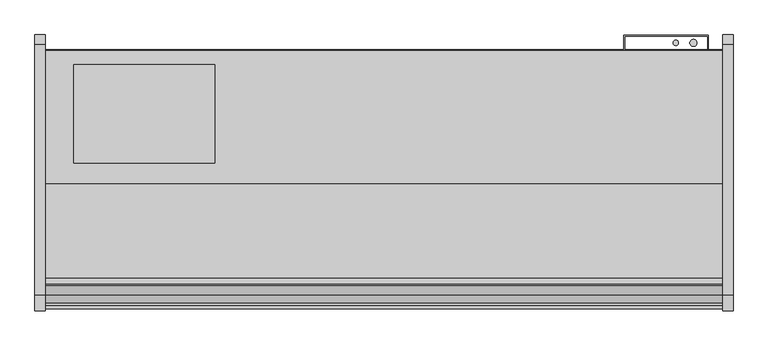
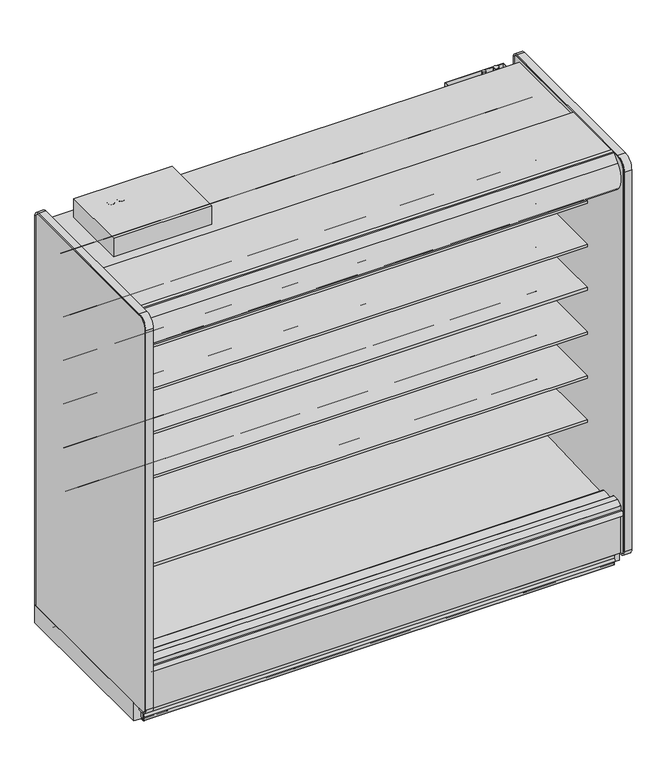
"""IFC4 building model written with IfcOpenShell, lengths in millimetres: proxy geometry."""

from ifc_helpers import new_model, si_unit, point, frame, frame_2d, origin, origin_with_axes, place, context, project, spatial, polyline, circle_curve, ellipse_curve, trimmed, segment, composite_curve, outline, extrude, source, transform, mapped, element, save
from ifc_brep_helpers import plane_surface, cylinder_surface, revolved_surface, advanced_brep


def mechanical_equipment_c2b8598e(model_context):
    return source(origin(), model_context, "Body", "SolidModel", [
        extrude(outline(composite_curve([segment(polyline([(-1274.0829637, 2251.075), (-1294.3336241, 2251.075)]), True, "CONTINUOUS"), segment(trimmed(circle_curve(frame_2d((-1294.3336241, 2246.6009255)), 4.4740745), [point((-1294.3336241, 2251.075))], [point((-1297.552004, 2249.7088788))], True, "CARTESIAN"), True, "CONTINUOUS"), segment(polyline([(-1297.552004, 2249.7088788), (-1332.8788425, 2213.1268666)]), True, "CONTINUOUS"), segment(trimmed(circle_curve(frame_2d((-1260.597853, 2143.3259263)), 100.4824), [point((-1332.8788425, 2213.1268666))], [point((-1341.3700905, 2203.0968084))], True, "CARTESIAN"), True, "CONTINUOUS"), segment(trimmed(circle_curve(frame_2d((-1260.597853, 2143.3259263)), 100.4824), [point((-1341.3700905, 2203.0968084))], [point((-1334.0860282, 2074.7970943))], True, "CARTESIAN"), True, "CONTINUOUS"), segment(trimmed(circle_curve(frame_2d((-1330.2592931, 2078.3655825)), 5.2324), [point((-1334.0860282, 2074.7970943))], [point((-1326.5594275, 2074.665717))], True, "CARTESIAN"), True, "CONTINUOUS"), segment(polyline([(-1326.5594275, 2074.665717), (-1319.9858801, 2081.2392645), (-1318.5490391, 2079.8024235), (-1325.1225866, 2073.228876)]), True, "CONTINUOUS"), segment(trimmed(circle_curve(frame_2d((-1330.2592931, 2078.3655825)), 7.2644), [point((-1325.1225866, 2073.228876))], [point((-1335.5721389, 2073.4112736))], False, "CARTESIAN"), True, "CONTINUOUS"), segment(trimmed(circle_curve(frame_2d((-1260.597853, 2143.3259263)), 102.5144), [point((-1335.5721389, 2073.4112736))], [point((-1334.340541, 2214.5384124))], False, "CARTESIAN"), True, "CONTINUOUS"), segment(polyline([(-1334.340541, 2214.5384124), (-1299.7047357, 2250.4048387)]), True, "CONTINUOUS"), segment(trimmed(circle_curve(frame_2d((-1294.4791637, 2245.3585624)), 7.2644), [point((-1299.7047357, 2250.4048387))], [point((-1294.4791637, 2252.6229624))], False, "CARTESIAN"), True, "CONTINUOUS"), segment(polyline([(-1294.4791637, 2252.6229624), (-1274.0829637, 2252.6229624), (-1274.0829637, 2251.075)]), True, "CONTINUOUS")], self_intersect=False)), frame((0.0, 0.0, 0.0), z_axis=(1.0, 0.0, 0.0), x_axis=(0.0, 1.0, 0.0)), (0.0, 0.0, 1.0), 2438.4),
        extrude(outline(composite_curve([segment(trimmed(circle_curve(frame_2d((-1254.7298559, 2115.8468051)), 11.1125), [point((-1265.8423507, 2115.8361068))], [point((-1243.617361, 2115.8575034))], False, "CARTESIAN"), True, "CONTINUOUS"), segment(trimmed(circle_curve(frame_2d((-1254.7298559, 2115.8468051)), 11.1125), [point((-1243.617361, 2115.8575034))], [point((-1265.8423507, 2115.8361068))], False, "CARTESIAN"), True, "CONTINUOUS")], self_intersect=False)), frame((0.0, 0.0, 0.0), z_axis=(1.0, 0.0, 0.0), x_axis=(0.0, 1.0, 0.0)), (0.0, 0.0, 1.0), 2438.4),
        extrude(outline(composite_curve([segment(trimmed(circle_curve(frame_2d((-1294.8804038, 2104.9918872)), 11.1125), [point((-1305.9928987, 2104.9811889))], [point((-1283.767909, 2105.0025854))], False, "CARTESIAN"), True, "CONTINUOUS"), segment(trimmed(circle_curve(frame_2d((-1294.8804038, 2104.9918872)), 11.1125), [point((-1283.767909, 2105.0025854))], [point((-1305.9928987, 2104.9811889))], False, "CARTESIAN"), True, "CONTINUOUS")], self_intersect=False)), frame((0.0, 0.0, 0.0), z_axis=(1.0, 0.0, 0.0), x_axis=(0.0, 1.0, 0.0)), (0.0, 0.0, 1.0), 2438.4),
        extrude(outline(polyline([(2082.8, -397.6671044), (2387.6, -397.6671044), (2387.6, -453.092873), (2384.425, -453.092873), (2384.425, -400.8421044), (2085.975, -400.8421044), (2085.975, -453.092873), (2082.8, -453.092873), (2082.8, -397.6671044)])), frame((0.0, 0.0, 237.9789513), z_axis=(0.0, 0.0, 1.0), x_axis=(1.0, 0.0, 0.0)), (0.0, 0.0, 1.0), 1972.9442436),
        extrude(outline(composite_curve([segment(polyline([(-450.2965273, 24.892), (-450.2965273, 5.1562)]), True, "CONTINUOUS"), segment(trimmed(circle_curve(frame_2d((-455.4527273, 5.1562)), 5.1562), [point((-450.2965273, 5.1562))], [point((-455.4527273, 0.0))], False, "CARTESIAN"), True, "CONTINUOUS"), segment(polyline([(-455.4527273, 0.0), (-490.3650273, 0.0)]), True, "CONTINUOUS"), segment(trimmed(circle_curve(frame_2d((-490.3650273, 5.1562)), 5.1562), [point((-490.3650273, 0.0))], [point((-495.5212273, 5.1562))], False, "CARTESIAN"), True, "CONTINUOUS"), segment(polyline([(-495.5212273, 5.1562), (-495.5212273, 19.7231)]), True, "CONTINUOUS"), segment(trimmed(circle_curve(frame_2d((-497.9088273, 19.7231)), 2.3876), [point((-495.5212273, 19.7231))], [point((-497.9088273, 22.1107))], True, "CARTESIAN"), True, "CONTINUOUS"), segment(polyline([(-497.9088273, 22.1107), (-509.1356273, 22.1107)]), True, "CONTINUOUS"), segment(trimmed(circle_curve(frame_2d((-509.1356273, 19.7231)), 2.3876), [point((-509.1356273, 22.1107))], [point((-511.5232273, 19.7231))], True, "CARTESIAN"), True, "CONTINUOUS"), segment(polyline([(-511.5232273, 19.7231), (-511.5232273, 4.2926), (-514.2918273, 4.2926), (-514.2918273, 19.7231)]), True, "CONTINUOUS"), segment(trimmed(circle_curve(frame_2d((-509.1356273, 19.7231)), 5.1562), [point((-514.2918273, 19.7231))], [point((-509.1356273, 24.8793))], False, "CARTESIAN"), True, "CONTINUOUS"), segment(polyline([(-509.1356273, 24.8793), (-497.9088273, 24.8793)]), True, "CONTINUOUS"), segment(trimmed(circle_curve(frame_2d((-497.9088273, 19.7231)), 5.1562), [point((-497.9088273, 24.8793))], [point((-492.7526273, 19.7231))], False, "CARTESIAN"), True, "CONTINUOUS"), segment(polyline([(-492.7526273, 19.7231), (-492.7526273, 5.1562)]), True, "CONTINUOUS"), segment(trimmed(circle_curve(frame_2d((-490.3650273, 5.1562)), 2.3876), [point((-492.7526273, 5.1562))], [point((-490.3650273, 2.7686))], True, "CARTESIAN"), True, "CONTINUOUS"), segment(polyline([(-490.3650273, 2.7686), (-455.4527273, 2.7686)]), True, "CONTINUOUS"), segment(trimmed(circle_curve(frame_2d((-455.4527273, 5.1562)), 2.3876), [point((-455.4527273, 2.7686))], [point((-453.0651273, 5.1562))], True, "CARTESIAN"), True, "CONTINUOUS"), segment(polyline([(-453.0651273, 5.1562), (-453.0651273, 24.892), (-450.2965273, 24.892)]), True, "CONTINUOUS")], self_intersect=False)), frame((0.0, 0.0, 0.0), z_axis=(1.0, 0.0, 0.0), x_axis=(0.0, 1.0, 0.0)), (0.0, 0.0, 1.0), 2438.4),
        extrude(outline(composite_curve([segment(polyline([(-1119.8151273, 105.16235), (-453.0963273, 105.16235), (-453.0963273, 5.1562)]), True, "CONTINUOUS"), segment(trimmed(circle_curve(frame_2d((-455.4839273, 5.1562)), 2.3876), [point((-453.0963273, 5.1562))], [point((-455.4839273, 2.7686))], False, "CARTESIAN"), True, "CONTINUOUS"), segment(polyline([(-455.4839273, 2.7686), (-488.0213273, 2.7686), (-488.0213273, 70.23735), (-1084.8901273, 70.23735), (-1084.8901273, 2.7686), (-1117.4275273, 2.7686)]), True, "CONTINUOUS"), segment(trimmed(circle_curve(frame_2d((-1117.4275273, 5.1562)), 2.3876), [point((-1117.4275273, 2.7686))], [point((-1119.8151273, 5.1562))], False, "CARTESIAN"), True, "CONTINUOUS"), segment(polyline([(-1119.8151273, 5.1562), (-1119.8151273, 105.16235)]), True, "CONTINUOUS")], self_intersect=False)), frame((0.0, 0.0, 0.0), z_axis=(1.0, 0.0, 0.0), x_axis=(0.0, 1.0, 0.0)), (0.0, 0.0, 1.0), 2438.4),
        extrude(outline(composite_curve([segment(trimmed(circle_curve(frame_2d((2238.0358045, -1169.1284613)), 12.7), [point((2225.3358045, -1169.1284613))], [point((2250.7358045, -1169.1284613))], False, "CARTESIAN"), True, "CONTINUOUS"), segment(trimmed(circle_curve(frame_2d((2238.0358045, -1169.1284613)), 12.7), [point((2250.7358045, -1169.1284613))], [point((2225.3358045, -1169.1284613))], False, "CARTESIAN"), True, "CONTINUOUS")], self_intersect=False)), origin_with_axes(), (0.0, 0.0, 1.0), 84.70392),
        extrude(outline(composite_curve([segment(trimmed(circle_curve(frame_2d((2194.2641955, -1169.1284613)), 9.525), [point((2184.7391955, -1169.1284613))], [point((2203.7891955, -1169.1284613))], False, "CARTESIAN"), True, "CONTINUOUS"), segment(trimmed(circle_curve(frame_2d((2194.2641955, -1169.1284613)), 9.525), [point((2203.7891955, -1169.1284613))], [point((2184.7391955, -1169.1284613))], False, "CARTESIAN"), True, "CONTINUOUS")], self_intersect=False)), origin_with_axes(), (0.0, 0.0, 1.0), 84.70392),
        extrude(outline(composite_curve([segment(trimmed(circle_curve(frame_2d((1219.2, -1177.0275273)), 38.1), [point((1181.1, -1177.0275273))], [point((1257.3, -1177.0275273))], False, "CARTESIAN"), True, "CONTINUOUS"), segment(trimmed(circle_curve(frame_2d((1219.2, -1177.0275273)), 38.1), [point((1257.3, -1177.0275273))], [point((1181.1, -1177.0275273))], False, "CARTESIAN"), True, "CONTINUOUS")], self_intersect=False)), origin_with_axes(), (0.0, 0.0, 1.0), 101.6),
        extrude(outline(composite_curve([segment(polyline([(-1303.8439273, 35.7124), (-1303.8439273, 56.3626001), (-1310.1939271, 58.3421778), (-1303.8439273, 70.6374), (-1303.8439273, 98.425)]), True, "CONTINUOUS"), segment(trimmed(circle_curve(frame_2d((-1303.1073273, 98.425)), 0.7366), [point((-1303.8439273, 98.425))], [point((-1303.1073273, 99.1616))], False, "CARTESIAN"), True, "CONTINUOUS"), segment(polyline([(-1303.1073273, 99.1616), (-1303.1073273, 1.524)]), True, "CONTINUOUS"), segment(trimmed(circle_curve(frame_2d((-1302.3199273, 1.524)), 0.7874), [point((-1303.1073273, 1.524))], [point((-1302.3199273, 0.7366))], True, "CARTESIAN"), True, "CONTINUOUS"), segment(polyline([(-1302.3199273, 0.7366), (-1299.2124308, 0.7366), (-1298.696658, 1.4732), (-1293.083258, 1.4732)]), True, "CONTINUOUS"), segment(trimmed(circle_curve(frame_2d((-1293.083258, 0.7366)), 0.7366), [point((-1293.083258, 1.4732))], [point((-1293.083258, 0.0))], False, "CARTESIAN"), True, "CONTINUOUS"), segment(polyline([(-1293.083258, 0.0), (-1302.3199273, 0.0)]), True, "CONTINUOUS"), segment(trimmed(circle_curve(frame_2d((-1302.3199273, 1.524)), 1.524), [point((-1302.3199273, 0.0))], [point((-1303.8439273, 1.524))], False, "CARTESIAN"), True, "CONTINUOUS"), segment(polyline([(-1303.8439273, 1.524), (-1303.8439273, 21.4376001), (-1310.1939271, 23.4171778), (-1303.8439273, 35.7124)]), True, "CONTINUOUS")], self_intersect=False)), frame((0.0, 0.0, 0.0), z_axis=(1.0, 0.0, 0.0), x_axis=(0.0, 1.0, 0.0)), (0.0, 0.0, 1.0), 2438.4),
        extrude(outline(composite_curve([segment(polyline([(-554.6455273, 571.5555799), (-573.0215473, 571.2431163)]), True, "CONTINUOUS"), segment(trimmed(circle_curve(frame_2d((-573.4533834, 596.6394451)), 25.4), [point((-573.0215473, 571.2431163))], [point((-589.4307397, 576.8939624))], False, "CARTESIAN"), True, "CONTINUOUS"), segment(polyline([(-589.4307397, 576.8939624), (-607.2828008, 591.339228)]), True, "CONTINUOUS"), segment(trimmed(circle_curve(frame_2d((-647.2261914, 541.9755212)), 63.5), [point((-607.2828008, 591.339228))], [point((-639.3283102, 604.9824531))], True, "CARTESIAN"), True, "CONTINUOUS"), segment(polyline([(-639.3283102, 604.9824531), (-929.9804321, 628.6795906), (-931.4692086, 632.1201427), (-1062.7611376, 632.1201427), (-1062.7611376, 646.3441427), (-554.6455273, 646.3441427), (-554.6455273, 571.5555799)]), True, "CONTINUOUS")], self_intersect=False)), frame((0.0, 0.0, 0.0), z_axis=(1.0, 0.0, 0.0), x_axis=(0.0, 1.0, 0.0)), (0.0, 0.0, 1.0), 2438.4),
        extrude(outline(composite_curve([segment(polyline([(-554.6455273, 812.8555799), (-573.0215473, 812.5431163)]), True, "CONTINUOUS"), segment(trimmed(circle_curve(frame_2d((-573.4533834, 837.9394451)), 25.4), [point((-573.0215473, 812.5431163))], [point((-589.4307397, 818.1939624))], False, "CARTESIAN"), True, "CONTINUOUS"), segment(polyline([(-589.4307397, 818.1939624), (-607.2828008, 832.639228)]), True, "CONTINUOUS"), segment(trimmed(circle_curve(frame_2d((-647.2261914, 783.2755212)), 63.5), [point((-607.2828008, 832.639228))], [point((-639.3283102, 846.2824531))], True, "CARTESIAN"), True, "CONTINUOUS"), segment(polyline([(-639.3283102, 846.2824531), (-929.9804321, 869.9795906), (-931.4692086, 873.4201427), (-1062.7611376, 873.4201427), (-1062.7611376, 887.6441427), (-554.6455273, 887.6441427), (-554.6455273, 812.8555799)]), True, "CONTINUOUS")], self_intersect=False)), frame((0.0, 0.0, 0.0), z_axis=(1.0, 0.0, 0.0), x_axis=(0.0, 1.0, 0.0)), (0.0, 0.0, 1.0), 2438.4),
        extrude(outline(composite_curve([segment(polyline([(-554.6455273, 1054.1555799), (-573.0215473, 1053.8431163)]), True, "CONTINUOUS"), segment(trimmed(circle_curve(frame_2d((-573.4533834, 1079.2394451)), 25.4), [point((-573.0215473, 1053.8431163))], [point((-589.4307397, 1059.4939624))], False, "CARTESIAN"), True, "CONTINUOUS"), segment(polyline([(-589.4307397, 1059.4939624), (-607.2828008, 1073.939228)]), True, "CONTINUOUS"), segment(trimmed(circle_curve(frame_2d((-647.2261914, 1024.5755212)), 63.5), [point((-607.2828008, 1073.939228))], [point((-639.3283102, 1087.5824531))], True, "CARTESIAN"), True, "CONTINUOUS"), segment(polyline([(-639.3283102, 1087.5824531), (-929.9804321, 1111.2795906), (-931.4692086, 1114.7201427), (-1062.7611376, 1114.7201427), (-1062.7611376, 1128.9441427), (-554.6455273, 1128.9441427), (-554.6455273, 1054.1555799)]), True, "CONTINUOUS")], self_intersect=False)), frame((0.0, 0.0, 0.0), z_axis=(1.0, 0.0, 0.0), x_axis=(0.0, 1.0, 0.0)), (0.0, 0.0, 1.0), 2438.4),
        extrude(outline(composite_curve([segment(polyline([(-554.6455273, 1295.5492695), (-573.0215473, 1295.2368059)]), True, "CONTINUOUS"), segment(trimmed(circle_curve(frame_2d((-573.4533834, 1320.6331347)), 25.4), [point((-573.0215473, 1295.2368059))], [point((-589.4307397, 1300.887652))], False, "CARTESIAN"), True, "CONTINUOUS"), segment(polyline([(-589.4307397, 1300.887652), (-607.2828008, 1315.3329175)]), True, "CONTINUOUS"), segment(trimmed(circle_curve(frame_2d((-647.2261914, 1265.9692108)), 63.5), [point((-607.2828008, 1315.3329175))], [point((-639.3283102, 1328.9761427))], True, "CARTESIAN"), True, "CONTINUOUS"), segment(polyline([(-639.3283102, 1328.9761427), (-929.9804321, 1352.6732801), (-931.4692086, 1356.1138322), (-1062.7611376, 1356.1138322), (-1062.7611376, 1370.3378322), (-554.6455273, 1370.3378322), (-554.6455273, 1295.5492695)]), True, "CONTINUOUS")], self_intersect=False)), frame((0.0, 0.0, 0.0), z_axis=(1.0, 0.0, 0.0), x_axis=(0.0, 1.0, 0.0)), (0.0, 0.0, 1.0), 2438.4),
        extrude(outline(composite_curve([segment(polyline([(-554.6455273, 1533.1653867), (-573.0215473, 1532.8529231)]), True, "CONTINUOUS"), segment(trimmed(circle_curve(frame_2d((-573.4533834, 1558.2492519)), 25.4), [point((-573.0215473, 1532.8529231))], [point((-589.4307397, 1538.5037692))], False, "CARTESIAN"), True, "CONTINUOUS"), segment(polyline([(-589.4307397, 1538.5037692), (-607.2828008, 1552.9490347)]), True, "CONTINUOUS"), segment(trimmed(circle_curve(frame_2d((-647.2261914, 1503.585328)), 63.5), [point((-607.2828008, 1552.9490347))], [point((-639.3283102, 1566.5922599))], True, "CARTESIAN"), True, "CONTINUOUS"), segment(polyline([(-639.3283102, 1566.5922599), (-929.9804321, 1590.2893973), (-931.4692086, 1593.7299494), (-1062.7611376, 1593.7299494), (-1062.7611376, 1607.9539494), (-554.6455273, 1607.9539494), (-554.6455273, 1533.1653867)]), True, "CONTINUOUS")], self_intersect=False)), frame((0.0, 0.0, 0.0), z_axis=(1.0, 0.0, 0.0), x_axis=(0.0, 1.0, 0.0)), (0.0, 0.0, 1.0), 2438.4),
        advanced_brep(
        [(2438.4, -1303.0997867, 105.16235), (2438.4, -1303.0997867, 12.46632), (2438.4, -1299.1373867, 8.50392), (2438.4, -1189.1400664, 8.50392), (2438.4, -1119.8463273, 27.0711214), (2438.4, -1119.8463273, 105.16235), (0.0, -1303.0997867, 105.16235), (0.0, -1119.8463273, 105.16235), (0.0, -1119.8463273, 27.0711214), (0.0, -1189.1400664, 8.50392), (0.0, -1299.1373867, 8.50392), (0.0, -1303.0997867, 12.46632), (127.0, -1303.0997867, 12.46632), (127.0, -1303.0997867, 70.23735), (638.175, -1303.0997867, 70.23735), (638.175, -1303.0997867, 12.46632), (638.175, -1299.1373867, 8.50392), (127.0, -1299.1373867, 8.50392), (638.175, -1291.5558487, 8.50392), (638.9243384, -1291.5558487, 8.50392), (638.9243384, -1191.2766487, 8.50392), (127.0127384, -1191.2766487, 8.50392), (1169.8651604, -1189.1400664, 8.50392), (1268.5348396, -1189.1400664, 8.50392), (2170.1885281, -1189.1400664, 8.50392), (2262.1114719, -1189.1400664, 8.50392), (2233.7433681, -1119.8463273, 27.0711214), (2233.7433681, -1119.8463273, 101.6), (2198.5566319, -1119.8463273, 101.6), (2198.5566319, -1119.8463273, 27.0711214), (127.0, -1291.5558487, 70.23735), (638.175, -1291.5558487, 70.23735), (127.0, -1191.2766487, 84.70392), (127.0, -1291.5558487, 84.70392), (2266.95, -1167.5025273, 14.3016811), (2165.35, -1167.5025273, 14.3016811), (1270.0, -1177.0275273, 11.7494651), (1168.4, -1177.0275273, 11.7494651), (2266.95, -1167.5025273, 101.6), (2165.35, -1167.5025273, 101.6), (1168.4, -1177.0275273, 101.6), (1270.0, -1177.0275273, 101.6), (638.9243384, -1191.2766487, 84.70392), (638.9243384, -1291.5558487, 84.70392)],
        [
            (0, 1),
            (1, 2, circle_curve(frame((2438.4, -1299.1373867, 12.46632), z_axis=(1.0, 0.0, 0.0), x_axis=(0.0, 1.0, 0.0)), 3.9624)),
            (2, 3),
            (3, 4),
            (4, 5),
            (5, 0),
            (6, 7),
            (7, 8),
            (8, 9),
            (9, 10),
            (10, 11, circle_curve(frame((0.0, -1299.1373867, 12.46632), z_axis=(-1.0, 0.0, 0.0), x_axis=(0.0, 1.0, 0.0)), 3.9624)),
            (11, 6),
            (0, 6),
            (11, 12),
            (12, 13),
            (13, 14),
            (14, 15),
            (15, 1),
            (15, 16, circle_curve(frame((638.175, -1299.1373867, 12.46632), z_axis=(1.0, 0.0, 0.0), x_axis=(0.0, 1.0, 0.0)), 3.9624)),
            (16, 2),
            (10, 17),
            (17, 12, circle_curve(frame((127.0, -1299.1373867, 12.46632), z_axis=(-1.0, 0.0, 0.0), x_axis=(0.0, 1.0, 0.0)), 3.9624)),
            (16, 18),
            (18, 19),
            (19, 20),
            (20, 21),
            (21, 17),
            (9, 22),
            (22, 23, circle_curve(frame((1219.2, -1177.0275273, 8.50392), z_axis=(0.0, 0.0, 1.0), x_axis=(1.0, 0.0, 0.0)), 50.8)),
            (23, 24),
            (24, 25, circle_curve(frame((2216.15, -1167.5025273, 8.50392), z_axis=(0.0, 0.0, 1.0), x_axis=(1.0, 0.0, 0.0)), 50.8)),
            (25, 3),
            (4, 26),
            (26, 27),
            (27, 28),
            (28, 29),
            (29, 8),
            (7, 5),
            (13, 30),
            (30, 31),
            (31, 14),
            (21, 32),
            (32, 33),
            (33, 30),
            (31, 18),
            (25, 34, ellipse_curve(frame((2216.15, -1167.5025273, 14.3016811), z_axis=(0.0, -0.2588190451025241, 0.9659258262890674), x_axis=(0.0, 0.9659258262890675, 0.25881904510252396)), 52.59203, 50.8)),
            (34, 26, ellipse_curve(frame((2216.15, -1167.5025273, 14.3016811), z_axis=(0.0, -0.2588190451025241, 0.9659258262890674), x_axis=(0.0, 0.9659258262890675, 0.25881904510252396)), 52.59203, 50.8)),
            (29, 35, ellipse_curve(frame((2216.15, -1167.5025273, 14.3016811), z_axis=(0.0, -0.2588190451025241, 0.9659258262890674), x_axis=(0.0, 0.9659258262890675, 0.25881904510252396)), 52.59203, 50.8)),
            (35, 24, ellipse_curve(frame((2216.15, -1167.5025273, 14.3016811), z_axis=(0.0, -0.2588190451025241, 0.9659258262890674), x_axis=(0.0, 0.9659258262890675, 0.25881904510252396)), 52.59203, 50.8)),
            (23, 36, ellipse_curve(frame((1219.2, -1177.0275273, 11.7494651), z_axis=(0.0, -0.2588190451025241, 0.9659258262890674), x_axis=(0.0, 0.9659258262890675, 0.25881904510252396)), 52.59203, 50.8)),
            (36, 37, ellipse_curve(frame((1219.2, -1177.0275273, 11.7494651), z_axis=(0.0, -0.2588190451025241, 0.9659258262890674), x_axis=(0.0, 0.9659258262890675, 0.25881904510252396)), 52.59203, 50.8)),
            (37, 22, ellipse_curve(frame((1219.2, -1177.0275273, 11.7494651), z_axis=(0.0, -0.2588190451025241, 0.9659258262890674), x_axis=(0.0, 0.9659258262890675, 0.25881904510252396)), 52.59203, 50.8)),
            (38, 39, circle_curve(frame((2216.15, -1167.5025273, 101.6), z_axis=(0.0, 0.0, -1.0), x_axis=(1.0, 0.0, 0.0)), 50.8)),
            (39, 28, circle_curve(frame((2216.15, -1167.5025273, 101.6), z_axis=(0.0, 0.0, -1.0), x_axis=(1.0, 0.0, 0.0)), 50.8)),
            (27, 38, circle_curve(frame((2216.15, -1167.5025273, 101.6), z_axis=(0.0, 0.0, -1.0), x_axis=(1.0, 0.0, 0.0)), 50.8)),
            (38, 34),
            (35, 39),
            (40, 41, circle_curve(frame((1219.2, -1177.0275273, 101.6), z_axis=(0.0, 0.0, -1.0), x_axis=(1.0, 0.0, 0.0)), 50.8)),
            (41, 40, circle_curve(frame((1219.2, -1177.0275273, 101.6), z_axis=(0.0, 0.0, -1.0), x_axis=(1.0, 0.0, 0.0)), 50.8)),
            (41, 36),
            (37, 40),
            (42, 43),
            (43, 33),
            (32, 42),
            (20, 42),
            (43, 19),
        ],
        [
            plane_surface(frame((2438.4, -1303.0997867, 12.46632), z_axis=(1.0, 0.0, 0.0), x_axis=(0.0, 0.0, -1.0))),
            plane_surface(frame((0.0, -1303.0997867, 12.46632), z_axis=(-1.0, 0.0, 0.0), x_axis=(0.0, 0.0, 1.0))),
            plane_surface(frame((2438.4, -1303.0997867, 105.16235), z_axis=(0.0, -1.0, 0.0), x_axis=(-1.0, 0.0, 0.0))),
            cylinder_surface(frame((0.0, -1299.1373867, 12.46632), z_axis=(1.0, 0.0, 0.0), x_axis=(0.0, 1.0, 0.0)), 3.9624),
            plane_surface(frame((2438.4, -1299.1373867, 8.50392), z_axis=(0.0, 0.0, -1.0), x_axis=(-1.0, 0.0, 0.0))),
            plane_surface(frame((2438.4, -1119.8463273, 27.0711214), z_axis=(0.0, 1.0, 0.0), x_axis=(-1.0, 0.0, 0.0))),
            plane_surface(frame((2438.4, -1119.8463273, 105.16235), z_axis=(0.0, 0.0, 1.0), x_axis=(-1.0, 0.0, 0.0))),
            plane_surface(frame((127.0, -1266.0481044, 70.23735), z_axis=(0.0, 0.0, -1.0), x_axis=(-1.0, 0.0, 0.0))),
            plane_surface(frame((127.0, -1266.0481044, 70.23735), z_axis=(1.0, 0.0, 0.0), x_axis=(0.0, 0.0, -1.0))),
            plane_surface(frame((638.175, -1367.6481044, 70.23735), z_axis=(-1.0, 0.0, 0.0), x_axis=(0.0, 0.0, -1.0))),
            plane_surface(frame((2438.4, -1189.1400664, 8.50392), z_axis=(0.0, 0.2588190451025241, -0.9659258262890674), x_axis=(-1.0, 0.0, 0.0))),
            plane_surface(frame((2266.95, -1167.5025273, 101.6), z_axis=(0.0, 0.0, -1.0), x_axis=(0.0, 1.0, 0.0))),
            revolved_surface(polyline([(2266.9500000000003, -1167.5025273, 101.6), (2266.9500000000003, -1167.5025273, 0.689862115396707)]), (2216.15, -1167.5025273, 0.0), (0.0, 0.0, 1.0)),
            plane_surface(frame((1270.0, -1177.0275273, 101.6), z_axis=(0.0, 0.0, -1.0), x_axis=(0.0, 1.0, 0.0))),
            revolved_surface(polyline([(1270.0, -1177.0275273, 101.6), (1270.0, -1177.0275273, -1.8623538846032925)]), (1219.2, -1177.0275273, 0.0), (0.0, 0.0, 1.0)),
            plane_surface(frame((638.9243384, -1191.2766487, 84.70392), z_axis=(0.0, 0.0, -1.0), x_axis=(-1.0, 0.0, 0.0))),
            plane_surface(frame((638.9243384, -1191.2766487, 84.70392), z_axis=(0.0, -1.0, 0.0), x_axis=(0.0, 0.0, -1.0))),
            plane_surface(frame((127.0127384, -1291.5558487, 84.70392), z_axis=(0.0, 1.0, 0.0), x_axis=(0.0, 0.0, -1.0))),
            plane_surface(frame((638.9243384, -1291.5558487, 84.70392), z_axis=(-1.0, 0.0, 0.0), x_axis=(0.0, 0.0, -1.0))),
        ],
        [
            (0, [[1, 2, 3, 4, 5, 6]]),
            (1, [[7, 8, 9, 10, 11, 12]]),
            (2, [[-1, 13, -12, 14, 15, 16, 17, 18]]),
            (3, [[-2, -18, 19, 20]]),
            (3, [[-11, 21, 22, -14]]),
            (4, [[-3, -20, 23, 24, 25, 26, 27, -21, -10, 28, 29, 30, 31, 32]]),
            (5, [[-5, 33, 34, 35, 36, 37, -8, 38]]),
            (6, [[-6, -38, -7, -13]]),
            (7, [[-16, 39, 40, 41]]),
            (8, [[-15, -22, -27, 42, 43, 44, -39]]),
            (9, [[-17, -41, 45, -23, -19]]),
            (10, [[-4, -32, 46, 47, -33]]),
            (10, [[-9, -37, 48, 49, -30, 50, 51, 52, -28]]),
            (11, [[53, 54, -35, 55]]),
            (12, [[-53, 56, -46, -31, -49, 57]]),
            (12, [[-54, -57, -48, -36]]),
            (12, [[-55, -34, -47, -56]]),
            (13, [[58, 59]]),
            (14, [[-59, 60, -50, -29, -52, 61]]),
            (14, [[-58, -61, -51, -60]]),
            (15, [[62, 63, -43, 64]]),
            (16, [[-64, -42, -26, 65]]),
            (17, [[-63, 66, -24, -45, -40, -44]]),
            (18, [[-62, -65, -25, -66]]),
        ],
    ),
        extrude(outline(polyline([(609.6, -504.1009236), (609.6, -859.7009236), (101.6, -859.7009236), (101.6, -504.1009236), (609.6, -504.1009236)])), frame((0.0, 0.0, 2232.3361513), z_axis=(0.0, 0.0, 1.0), x_axis=(1.0, 0.0, 0.0)), (0.0, 0.0, 1.0), 102.0572),
        extrude(outline(composite_curve([segment(polyline([(-1293.5729007, 2251.075), (-934.1551117, 2251.075), (-934.1551117, 2232.3361513), (-1233.3111299, 2232.3361513), (-1233.3111299, 2181.5361513), (-1172.9211148, 2181.5361513), (-1172.9211148, 2141.5126887), (-1209.2283755, 2128.2979266), (-1234.168471, 2139.9276841), (-1337.9651096, 2112.1154586), (-1337.9651096, 2081.6913231)]), True, "CONTINUOUS"), segment(trimmed(circle_curve(frame_2d((-1336.3776096, 2081.6913231)), 1.5875), [point((-1337.9651096, 2081.6913231))], [point((-1336.894449, 2080.1903123))], True, "CARTESIAN"), True, "CONTINUOUS"), segment(polyline([(-1336.894449, 2080.1903123), (-1326.7029612, 2076.6811017)]), True, "CONTINUOUS"), segment(trimmed(circle_curve(frame_2d((-1326.1861218, 2078.1821124)), 1.5875), [point((-1326.7029612, 2076.6811017))], [point((-1325.0635898, 2077.0595804))], True, "CARTESIAN"), True, "CONTINUOUS"), segment(polyline([(-1325.0635898, 2077.0595804), (-1321.7176418, 2080.4055284)]), True, "CONTINUOUS"), segment(trimmed(circle_curve(frame_2d((-1321.4931354, 2080.181022)), 0.3175), [point((-1321.7176418, 2080.4055284))], [point((-1321.268629, 2079.9565156))], False, "CARTESIAN"), True, "CONTINUOUS"), segment(polyline([(-1321.268629, 2079.9565156), (-1324.614577, 2076.6105676)]), True, "CONTINUOUS"), segment(trimmed(circle_curve(frame_2d((-1326.1861218, 2078.1821124)), 2.2225), [point((-1324.614577, 2076.6105676))], [point((-1326.909697, 2076.0806974))], False, "CARTESIAN"), True, "CONTINUOUS"), segment(polyline([(-1326.909697, 2076.0806974), (-1337.1011848, 2079.589908)]), True, "CONTINUOUS"), segment(trimmed(circle_curve(frame_2d((-1336.3776096, 2081.6913231)), 2.2225), [point((-1337.1011848, 2079.589908))], [point((-1338.6001096, 2081.6913231))], False, "CARTESIAN"), True, "CONTINUOUS"), segment(polyline([(-1338.6001096, 2081.6913231), (-1338.6001096, 2183.9920746), (-1305.0029007, 2231.9738616), (-1305.0029007, 2235.9097624), (-1293.5729007, 2247.0095624), (-1293.5729007, 2251.075)]), True, "CONTINUOUS")], self_intersect=False)), frame((0.0, 0.0, 0.0), z_axis=(1.0, 0.0, 0.0), x_axis=(0.0, 1.0, 0.0)), (0.0, 0.0, 1.0), 2438.4),
        extrude(outline(polyline([(2438.4, -1071.1044468), (2438.4, -1172.7417116), (0.0, -1172.7417116), (0.0, -1071.1044468), (2438.4, -1071.1044468)])), frame((0.0, 0.0, 2101.0299563), z_axis=(0.0, 0.0, 1.0), x_axis=(1.0, 0.0, 0.0)), (0.0, 0.0, 1.0), 25.4560927),
        extrude(outline(composite_curve([segment(polyline([(-554.6455273, 1770.7815039), (-573.0215473, 1770.4690403)]), True, "CONTINUOUS"), segment(trimmed(circle_curve(frame_2d((-573.4533834, 1795.8653691)), 25.4), [point((-573.0215473, 1770.4690403))], [point((-589.4307397, 1776.1198864))], False, "CARTESIAN"), True, "CONTINUOUS"), segment(polyline([(-589.4307397, 1776.1198864), (-607.2828008, 1790.5651519)]), True, "CONTINUOUS"), segment(trimmed(circle_curve(frame_2d((-647.2261914, 1741.2014452)), 63.5), [point((-607.2828008, 1790.5651519))], [point((-639.3283102, 1804.2083771))], True, "CARTESIAN"), True, "CONTINUOUS"), segment(polyline([(-639.3283102, 1804.2083771), (-929.9804321, 1827.9055145), (-931.4692086, 1831.3460666), (-1062.7611376, 1831.3460666), (-1062.7611376, 1845.5700666), (-554.6455273, 1845.5700666), (-554.6455273, 1770.7815039)]), True, "CONTINUOUS")], self_intersect=False)), frame((0.0, 0.0, 0.0), z_axis=(1.0, 0.0, 0.0), x_axis=(0.0, 1.0, 0.0)), (0.0, 0.0, 1.0), 2438.4),
        extrude(outline(composite_curve([segment(polyline([(-1360.3589273, 323.2962194), (-1361.930148, 323.2962194), (-1361.930148, 357.3196168)]), True, "CONTINUOUS"), segment(trimmed(circle_curve(frame_2d((-1360.355348, 357.3196168)), 1.5748), [point((-1361.930148, 357.3196168))], [point((-1361.142748, 358.6834336))], False, "CARTESIAN"), True, "CONTINUOUS"), segment(polyline([(-1361.142748, 358.6834336), (-1332.5247609, 375.2060362)]), True, "CONTINUOUS"), segment(trimmed(circle_curve(frame_2d((-1331.7373609, 373.8422194)), 1.5748), [point((-1332.5247609, 375.2060362))], [point((-1331.7373609, 375.4170194))], False, "CARTESIAN"), True, "CONTINUOUS"), segment(polyline([(-1331.7373609, 375.4170194), (-1299.3544364, 375.4170194)]), True, "CONTINUOUS"), segment(trimmed(circle_curve(frame_2d((-1299.3544364, 373.8422194)), 1.5748), [point((-1299.3544364, 375.4170194))], [point((-1297.7796364, 373.8422194))], False, "CARTESIAN"), True, "CONTINUOUS"), segment(polyline([(-1297.7796364, 373.8422194), (-1297.7796364, 358.0341924), (-1346.7518336, 358.0341924), (-1346.7518336, 105.16235), (-1303.0997867, 105.16235), (-1303.0997867, 98.81235), (-1360.3589273, 98.81235), (-1360.3589273, 323.2962194)]), True, "CONTINUOUS")], self_intersect=False)), frame((0.0, 0.0, 0.0), z_axis=(1.0, 0.0, 0.0), x_axis=(0.0, 1.0, 0.0)), (0.0, 0.0, 1.0), 2438.4),
        extrude(outline(composite_curve([segment(polyline([(-503.1482973, 185.8742407), (-1297.1696071, 157.0280151), (-1297.1696071, 347.5376575), (-1208.140472, 350.6466237)]), True, "CONTINUOUS"), segment(trimmed(circle_curve(frame_2d((-1208.0722155, 348.6920151)), 1.9558), [point((-1208.140472, 350.6466237))], [point((-1206.1176069, 348.7602715))], False, "CARTESIAN"), True, "CONTINUOUS"), segment(polyline([(-1206.1176069, 348.7602715), (-1205.2658029, 324.3677965), (-590.0118979, 347.9015896), (-581.1166683, 357.4405555)]), True, "CONTINUOUS"), segment(trimmed(circle_curve(frame_2d((-580.0020853, 356.40119)), 1.524), [point((-581.1166683, 357.4405555))], [point((-580.0552721, 357.9242616))], False, "CARTESIAN"), True, "CONTINUOUS"), segment(polyline([(-580.0552721, 357.9242616), (-554.6455273, 358.8115894), (-554.6455273, 237.9789513), (-503.1482973, 237.9789513), (-503.1482973, 185.8742407)]), True, "CONTINUOUS")], self_intersect=False)), frame((0.0, 0.0, 0.0), z_axis=(1.0, 0.0, 0.0), x_axis=(0.0, 1.0, 0.0)), (0.0, 0.0, 1.0), 2438.4),
        extrude(outline(composite_curve([segment(polyline([(-553.9170797, 2180.3044558), (-553.9170797, 2177.6473266), (-503.1482973, 2177.6473266), (-503.1482973, 237.9789513), (-554.6455273, 237.9789513), (-554.6455273, 2088.6930061)]), True, "CONTINUOUS"), segment(trimmed(circle_curve(frame_2d((-580.092873, 2088.2737013)), 25.4508), [point((-554.6455273, 2088.6930061))], [point((-580.092873, 2113.7245013))], True, "CARTESIAN"), True, "CONTINUOUS"), segment(polyline([(-580.092873, 2113.7245013), (-646.971073, 2113.7245013), (-646.971073, 2128.8629013), (-1070.3912573, 2128.8629013), (-1070.3912573, 2101.8119013)]), True, "CONTINUOUS"), segment(trimmed(circle_curve(frame_2d((-1071.9152573, 2101.8119013)), 1.524), [point((-1070.3912573, 2101.8119013))], [point((-1071.9152573, 2100.2879013))], False, "CARTESIAN"), True, "CONTINUOUS"), segment(polyline([(-1071.9152573, 2100.2879013), (-1082.3038573, 2100.2879013), (-1082.3038573, 2101.1384913), (-1071.1044468, 2101.1384913), (-1071.1044468, 2126.4860489), (-1172.7417116, 2126.4860489), (-1172.7417116, 2101.1832513), (-1162.3024273, 2101.1832513), (-1162.3024273, 2100.3895013), (-1172.0948146, 2100.3895013)]), True, "CONTINUOUS"), segment(trimmed(circle_curve(frame_2d((-1172.0948146, 2101.7095178)), 1.3200165), [point((-1172.0948146, 2100.3895013))], [point((-1173.4148311, 2101.7095178))], False, "CARTESIAN"), True, "CONTINUOUS"), segment(polyline([(-1173.4148311, 2101.7095178), (-1173.4148311, 2180.3044558), (-553.9170797, 2180.3044558)]), True, "CONTINUOUS")], self_intersect=False)), frame((0.0, 0.0, 0.0), z_axis=(1.0, 0.0, 0.0), x_axis=(0.0, 1.0, 0.0)), (0.0, 0.0, 1.0), 2438.4),
        extrude(outline(polyline([(-453.092873, 2232.3361513), (-453.092873, 304.27295), (-503.1482973, 304.27295), (-503.1482973, 2180.3044558), (-1233.3111299, 2180.3044558), (-1233.3111299, 2232.3361513), (-453.092873, 2232.3361513)])), frame((0.0, 0.0, 0.0), z_axis=(1.0, 0.0, 0.0), x_axis=(0.0, 1.0, 0.0)), (0.0, 0.0, 1.0), 2438.4),
        extrude(outline(polyline([(-1346.7518336, 105.16235), (-1346.7518336, 358.0341924), (-1297.1696071, 358.0341924), (-1297.1696071, 157.0280151), (-503.1482973, 185.8742407), (-503.1482973, 304.27295), (-453.092873, 304.27295), (-453.092873, 105.16235), (-1346.7518336, 105.16235)])), frame((0.0, 0.0, 0.0), z_axis=(1.0, 0.0, 0.0), x_axis=(0.0, 1.0, 0.0)), (0.0, 0.0, 1.0), 2438.4),
        extrude(outline(composite_curve([segment(polyline([(-1122.6149273, 24.892), (-1119.8463273, 24.892), (-1119.8463273, 5.1562)]), True, "CONTINUOUS"), segment(trimmed(circle_curve(frame_2d((-1117.4587273, 5.1562)), 2.3876), [point((-1119.8463273, 5.1562))], [point((-1117.4587273, 2.7686))], True, "CARTESIAN"), True, "CONTINUOUS"), segment(polyline([(-1117.4587273, 2.7686), (-1082.5464273, 2.7686)]), True, "CONTINUOUS"), segment(trimmed(circle_curve(frame_2d((-1082.5464273, 5.1562)), 2.3876), [point((-1082.5464273, 2.7686))], [point((-1080.1588273, 5.1562))], True, "CARTESIAN"), True, "CONTINUOUS"), segment(polyline([(-1080.1588273, 5.1562), (-1080.1588273, 19.7231)]), True, "CONTINUOUS"), segment(trimmed(circle_curve(frame_2d((-1075.0026273, 19.7231)), 5.1562), [point((-1080.1588273, 19.7231))], [point((-1075.0026273, 24.8793))], False, "CARTESIAN"), True, "CONTINUOUS"), segment(polyline([(-1075.0026273, 24.8793), (-1063.7758273, 24.8793)]), True, "CONTINUOUS"), segment(trimmed(circle_curve(frame_2d((-1063.7758273, 19.7231)), 5.1562), [point((-1063.7758273, 24.8793))], [point((-1058.6196273, 19.7231))], False, "CARTESIAN"), True, "CONTINUOUS"), segment(polyline([(-1058.6196273, 19.7231), (-1058.6196273, 4.2926), (-1061.3882273, 4.2926), (-1061.3882273, 19.7231)]), True, "CONTINUOUS"), segment(trimmed(circle_curve(frame_2d((-1063.7758273, 19.7231)), 2.3876), [point((-1061.3882273, 19.7231))], [point((-1063.7758273, 22.1107))], True, "CARTESIAN"), True, "CONTINUOUS"), segment(polyline([(-1063.7758273, 22.1107), (-1075.0026273, 22.1107)]), True, "CONTINUOUS"), segment(trimmed(circle_curve(frame_2d((-1075.0026273, 19.7231)), 2.3876), [point((-1075.0026273, 22.1107))], [point((-1077.3902273, 19.7231))], True, "CARTESIAN"), True, "CONTINUOUS"), segment(polyline([(-1077.3902273, 19.7231), (-1077.3902273, 5.1562)]), True, "CONTINUOUS"), segment(trimmed(circle_curve(frame_2d((-1082.5464273, 5.1562)), 5.1562), [point((-1077.3902273, 5.1562))], [point((-1082.5464273, 0.0))], False, "CARTESIAN"), True, "CONTINUOUS"), segment(polyline([(-1082.5464273, 0.0), (-1117.4587273, 0.0)]), True, "CONTINUOUS"), segment(trimmed(circle_curve(frame_2d((-1117.4587273, 5.1562)), 5.1562), [point((-1117.4587273, 0.0))], [point((-1122.6149273, 5.1562))], False, "CARTESIAN"), True, "CONTINUOUS"), segment(polyline([(-1122.6149273, 5.1562), (-1122.6149273, 24.892)]), True, "CONTINUOUS")], self_intersect=False)), frame((0.0, 0.0, 0.0), z_axis=(1.0, 0.0, 0.0), x_axis=(0.0, 1.0, 0.0)), (0.0, 0.0, 1.0), 2438.4),
        extrude(outline(polyline([(2476.5, -396.6376835), (2476.5, -1282.7829644), (2438.4, -1282.7829644), (2438.4, -396.6376835), (2476.5, -396.6376835)])), origin_with_axes(), (0.0, 0.0, 1.0), 98.81235),
        extrude(outline(composite_curve([segment(polyline([(-429.6775273, 2251.075), (-1333.5174682, 2251.075)]), True, "CONTINUOUS"), segment(trimmed(circle_curve(frame_2d((-1333.5174682, 2200.275)), 50.8), [point((-1333.5174682, 2251.075))], [point((-1384.3174682, 2200.275))], True, "CARTESIAN"), True, "CONTINUOUS"), segment(polyline([(-1384.3174682, 2200.275), (-1384.3174682, 124.21235)]), True, "CONTINUOUS"), segment(trimmed(circle_curve(frame_2d((-1358.9174682, 124.21235)), 25.4), [point((-1384.3174682, 124.21235))], [point((-1358.9174682, 98.81235))], True, "CARTESIAN"), True, "CONTINUOUS"), segment(polyline([(-1358.9174682, 98.81235), (-1332.5009969, 98.81235), (-1332.5009969, 91.1725063), (-1358.9174682, 91.1725063)]), True, "CONTINUOUS"), segment(trimmed(circle_curve(frame_2d((-1358.9174682, 124.21235)), 33.0398437), [point((-1358.9174682, 91.1725063))], [point((-1391.957312, 124.21235))], False, "CARTESIAN"), True, "CONTINUOUS"), segment(polyline([(-1391.957312, 124.21235), (-1391.957312, 2200.275)]), True, "CONTINUOUS"), segment(trimmed(circle_curve(frame_2d((-1333.5174682, 2200.275)), 58.4398437), [point((-1391.957312, 2200.275))], [point((-1333.5174682, 2258.7148438))], False, "CARTESIAN"), True, "CONTINUOUS"), segment(polyline([(-1333.5174682, 2258.7148438), (-429.6775273, 2258.7148438)]), True, "CONTINUOUS"), segment(trimmed(circle_curve(frame_2d((-429.6775273, 2225.675)), 33.0398438), [point((-429.6775273, 2258.7148438))], [point((-396.6376835, 2225.675))], False, "CARTESIAN"), True, "CONTINUOUS"), segment(polyline([(-396.6376835, 2225.675), (-396.6376835, 98.81235), (-404.2775273, 98.81235), (-404.2775273, 2225.675)]), True, "CONTINUOUS"), segment(trimmed(circle_curve(frame_2d((-429.6775273, 2225.675)), 25.4), [point((-404.2775273, 2225.675))], [point((-429.6775273, 2251.075))], True, "CARTESIAN"), True, "CONTINUOUS")], self_intersect=False)), frame((2438.4, 0.0, 0.0), z_axis=(1.0, 0.0, 0.0), x_axis=(0.0, 1.0, 0.0)), (0.0, 0.0, 1.0), 38.1),
        extrude(outline(composite_curve([segment(trimmed(circle_curve(frame_2d((-429.6775273, 2225.675)), 25.4), [point((-429.6775273, 2251.075))], [point((-404.2775273, 2225.675))], False, "CARTESIAN"), True, "CONTINUOUS"), segment(polyline([(-404.2775273, 2225.675), (-404.2775273, 98.81235), (-1358.9174682, 98.81235)]), True, "CONTINUOUS"), segment(trimmed(circle_curve(frame_2d((-1358.9174682, 124.21235)), 25.4), [point((-1358.9174682, 98.81235))], [point((-1384.3174682, 124.21235))], False, "CARTESIAN"), True, "CONTINUOUS"), segment(polyline([(-1384.3174682, 124.21235), (-1384.3174682, 2200.275)]), True, "CONTINUOUS"), segment(trimmed(circle_curve(frame_2d((-1333.5174682, 2200.275)), 50.8), [point((-1384.3174682, 2200.275))], [point((-1333.5174682, 2251.075))], False, "CARTESIAN"), True, "CONTINUOUS"), segment(polyline([(-1333.5174682, 2251.075), (-429.6775273, 2251.075)]), True, "CONTINUOUS")], self_intersect=False)), frame((2438.4, 0.0, 0.0), z_axis=(1.0, 0.0, 0.0), x_axis=(0.0, 1.0, 0.0)), (0.0, 0.0, 1.0), 38.1),
        extrude(outline(polyline([(0.0, -396.6376835), (0.0, -1282.7829644), (-38.1, -1282.7829644), (-38.1, -396.6376835), (0.0, -396.6376835)])), origin_with_axes(), (0.0, 0.0, 1.0), 98.81235),
        extrude(outline(composite_curve([segment(polyline([(-429.6775273, 2251.075), (-1333.5174682, 2251.075)]), True, "CONTINUOUS"), segment(trimmed(circle_curve(frame_2d((-1333.5174682, 2200.275)), 50.8), [point((-1333.5174682, 2251.075))], [point((-1384.3174682, 2200.275))], True, "CARTESIAN"), True, "CONTINUOUS"), segment(polyline([(-1384.3174682, 2200.275), (-1384.3174682, 124.21235)]), True, "CONTINUOUS"), segment(trimmed(circle_curve(frame_2d((-1358.9174682, 124.21235)), 25.4), [point((-1384.3174682, 124.21235))], [point((-1358.9174682, 98.81235))], True, "CARTESIAN"), True, "CONTINUOUS"), segment(polyline([(-1358.9174682, 98.81235), (-1332.5009969, 98.81235), (-1332.5009969, 91.1725063), (-1358.9174682, 91.1725063)]), True, "CONTINUOUS"), segment(trimmed(circle_curve(frame_2d((-1358.9174682, 124.21235)), 33.0398437), [point((-1358.9174682, 91.1725063))], [point((-1391.957312, 124.21235))], False, "CARTESIAN"), True, "CONTINUOUS"), segment(polyline([(-1391.957312, 124.21235), (-1391.957312, 2200.275)]), True, "CONTINUOUS"), segment(trimmed(circle_curve(frame_2d((-1333.5174682, 2200.275)), 58.4398437), [point((-1391.957312, 2200.275))], [point((-1333.5174682, 2258.7148438))], False, "CARTESIAN"), True, "CONTINUOUS"), segment(polyline([(-1333.5174682, 2258.7148438), (-429.6775273, 2258.7148438)]), True, "CONTINUOUS"), segment(trimmed(circle_curve(frame_2d((-429.6775273, 2225.675)), 33.0398438), [point((-429.6775273, 2258.7148438))], [point((-396.6376835, 2225.675))], False, "CARTESIAN"), True, "CONTINUOUS"), segment(polyline([(-396.6376835, 2225.675), (-396.6376835, 98.81235), (-404.2775273, 98.81235), (-404.2775273, 2225.675)]), True, "CONTINUOUS"), segment(trimmed(circle_curve(frame_2d((-429.6775273, 2225.675)), 25.4), [point((-404.2775273, 2225.675))], [point((-429.6775273, 2251.075))], True, "CARTESIAN"), True, "CONTINUOUS")], self_intersect=False)), frame((-38.1, 0.0, 0.0), z_axis=(1.0, 0.0, 0.0), x_axis=(0.0, 1.0, 0.0)), (0.0, 0.0, 1.0), 38.1),
        extrude(outline(composite_curve([segment(trimmed(circle_curve(frame_2d((-429.6775273, 2225.675)), 25.4), [point((-429.6775273, 2251.075))], [point((-404.2775273, 2225.675))], False, "CARTESIAN"), True, "CONTINUOUS"), segment(polyline([(-404.2775273, 2225.675), (-404.2775273, 98.81235), (-1358.9174682, 98.81235)]), True, "CONTINUOUS"), segment(trimmed(circle_curve(frame_2d((-1358.9174682, 124.21235)), 25.4), [point((-1358.9174682, 98.81235))], [point((-1384.3174682, 124.21235))], False, "CARTESIAN"), True, "CONTINUOUS"), segment(polyline([(-1384.3174682, 124.21235), (-1384.3174682, 2200.275)]), True, "CONTINUOUS"), segment(trimmed(circle_curve(frame_2d((-1333.5174682, 2200.275)), 50.8), [point((-1384.3174682, 2200.275))], [point((-1333.5174682, 2251.075))], False, "CARTESIAN"), True, "CONTINUOUS"), segment(polyline([(-1333.5174682, 2251.075), (-429.6775273, 2251.075)]), True, "CONTINUOUS")], self_intersect=False)), frame((-38.1, 0.0, 0.0), z_axis=(1.0, 0.0, 0.0), x_axis=(0.0, 1.0, 0.0)), (0.0, 0.0, 1.0), 38.1),
        extrude(outline(composite_curve([segment(trimmed(circle_curve(frame_2d((2270.125, -425.5693158)), 9.525), [point((2260.6, -425.5693158))], [point((2279.65, -425.5693158))], False, "CARTESIAN"), True, "CONTINUOUS"), segment(trimmed(circle_curve(frame_2d((2270.125, -425.5693158)), 9.525), [point((2279.65, -425.5693158))], [point((2260.6, -425.5693158))], False, "CARTESIAN"), True, "CONTINUOUS")], self_intersect=False)), frame((0.0, 0.0, 1607.9539494), z_axis=(0.0, 0.0, 1.0), x_axis=(1.0, 0.0, 0.0)), (0.0, 0.0, 1.0), 617.7716126),
        extrude(outline(composite_curve([segment(trimmed(circle_curve(frame_2d((2333.625, -425.5693158)), 12.7), [point((2320.925, -425.5693158))], [point((2346.325, -425.5693158))], False, "CARTESIAN"), True, "CONTINUOUS"), segment(trimmed(circle_curve(frame_2d((2333.625, -425.5693158)), 12.7), [point((2346.325, -425.5693158))], [point((2320.925, -425.5693158))], False, "CARTESIAN"), True, "CONTINUOUS")], self_intersect=False)), frame((0.0, 0.0, 1607.9539494), z_axis=(0.0, 0.0, 1.0), x_axis=(1.0, 0.0, 0.0)), (0.0, 0.0, 1.0), 617.7716126),
        extrude(outline(composite_curve([segment(trimmed(circle_curve(frame_2d((282.0548526, -612.3064319)), 17.4625115), [point((264.5923411, -612.3064319))], [point((299.5173641, -612.3064319))], False, "CARTESIAN"), True, "CONTINUOUS"), segment(trimmed(circle_curve(frame_2d((282.0548526, -612.3064319)), 17.4625115), [point((299.5173641, -612.3064319))], [point((264.5923411, -612.3064319))], False, "CARTESIAN"), True, "CONTINUOUS")], self_intersect=False)), frame((0.0, 0.0, 2326.9419294), z_axis=(0.0, 0.0, 1.0), x_axis=(1.0, 0.0, 0.0)), (0.0, 0.0, 1.0), 7.4514219),
        extrude(outline(composite_curve([segment(trimmed(circle_curve(frame_2d((231.2548191, -612.3064319)), 17.4625115), [point((213.7923076, -612.3064319))], [point((248.7173306, -612.3064319))], False, "CARTESIAN"), True, "CONTINUOUS"), segment(trimmed(circle_curve(frame_2d((231.2548191, -612.3064319)), 17.4625115), [point((248.7173306, -612.3064319))], [point((213.7923076, -612.3064319))], False, "CARTESIAN"), True, "CONTINUOUS")], self_intersect=False)), frame((0.0, 0.0, 2326.9419294), z_axis=(0.0, 0.0, 1.0), x_axis=(1.0, 0.0, 0.0)), (0.0, 0.0, 1.0), 7.4514219),
        extrude(outline(composite_curve([segment(trimmed(circle_curve(frame_2d((279.4127384, -1247.3090487)), 17.4625), [point((261.9502384, -1247.3090487))], [point((296.8752384, -1247.3090487))], False, "CARTESIAN"), True, "CONTINUOUS"), segment(trimmed(circle_curve(frame_2d((279.4127384, -1247.3090487)), 17.4625), [point((296.8752384, -1247.3090487))], [point((261.9502384, -1247.3090487))], False, "CARTESIAN"), True, "CONTINUOUS")], self_intersect=False)), frame((0.0, 0.0, 78.35392), z_axis=(0.0, 0.0, 1.0), x_axis=(1.0, 0.0, 0.0)), (0.0, 0.0, 1.0), 6.35),
        extrude(outline(composite_curve([segment(trimmed(circle_curve(frame_2d((228.6127384, -1247.3090487)), 17.4625), [point((211.1502384, -1247.3090487))], [point((246.0752384, -1247.3090487))], False, "CARTESIAN"), True, "CONTINUOUS"), segment(trimmed(circle_curve(frame_2d((228.6127384, -1247.3090487)), 17.4625), [point((246.0752384, -1247.3090487))], [point((211.1502384, -1247.3090487))], False, "CARTESIAN"), True, "CONTINUOUS")], self_intersect=False)), frame((0.0, 0.0, 78.35392), z_axis=(0.0, 0.0, 1.0), x_axis=(1.0, 0.0, 0.0)), (0.0, 0.0, 1.0), 6.35),
        extrude(outline(composite_curve([segment(trimmed(circle_curve(frame_2d((177.8127384, -1247.3090487)), 17.4625), [point((160.3502384, -1247.3090487))], [point((195.2752384, -1247.3090487))], False, "CARTESIAN"), True, "CONTINUOUS"), segment(trimmed(circle_curve(frame_2d((177.8127384, -1247.3090487)), 17.4625), [point((195.2752384, -1247.3090487))], [point((160.3502384, -1247.3090487))], False, "CARTESIAN"), True, "CONTINUOUS")], self_intersect=False)), frame((0.0, 0.0, 78.35392), z_axis=(0.0, 0.0, 1.0), x_axis=(1.0, 0.0, 0.0)), (0.0, 0.0, 1.0), 6.35),
        extrude(outline(polyline([(127.0127384, -1291.5558487), (127.0127384, -1191.2766487), (638.9243384, -1191.2766487), (638.9243384, -1291.5558487), (127.0127384, -1291.5558487)])), frame((0.0, 0.0, 78.35392), z_axis=(0.0, 0.0, 1.0), x_axis=(1.0, 0.0, 0.0)), (0.0, 0.0, 1.0), 6.35),
        extrude(outline(composite_curve([segment(trimmed(circle_curve(frame_2d((-1371.4590962, 323.2962194)), 12.7), [point((-1371.4590962, 310.5962194))], [point((-1371.4590962, 335.9962194))], False, "CARTESIAN"), True, "CONTINUOUS"), segment(polyline([(-1371.4590962, 335.9962194), (-1361.930148, 335.9962194), (-1361.930148, 310.5962194), (-1371.4590962, 310.5962194)]), True, "CONTINUOUS")], self_intersect=False)), frame((0.0, 0.0, 0.0), z_axis=(1.0, 0.0, 0.0), x_axis=(0.0, 1.0, 0.0)), (0.0, 0.0, 1.0), 2438.4),
    ])


if __name__ == "__main__":
    model = new_model("IFC4")
    model_context = context("Model", 3, world=origin())
    ifc_project = project(units=[si_unit("LENGTHUNIT", "METRE", prefix="MILLI")], contexts=[model_context])
    site = spatial("IfcSite", under=ifc_project)
    building = spatial("IfcBuilding", under=site)
    placement = place(None, origin())
    mechanical_equipment_shape = mechanical_equipment_c2b8598e(model_context)
    element("IfcBuildingElementProxy", 1, Name="Mechanical Equipment", at=placement, inside=building, context=model_context, shape_type="MappedRepresentation", body=[
        mapped(mechanical_equipment_shape, transform((0.0, 0.0, 0.0), x_axis=(1.0, 0.0, 0.0), y_axis=(0.0, 1.0, 0.0), z_axis=(0.0, 0.0, 1.0))),
    ])
    save(model, "model.ifc")
